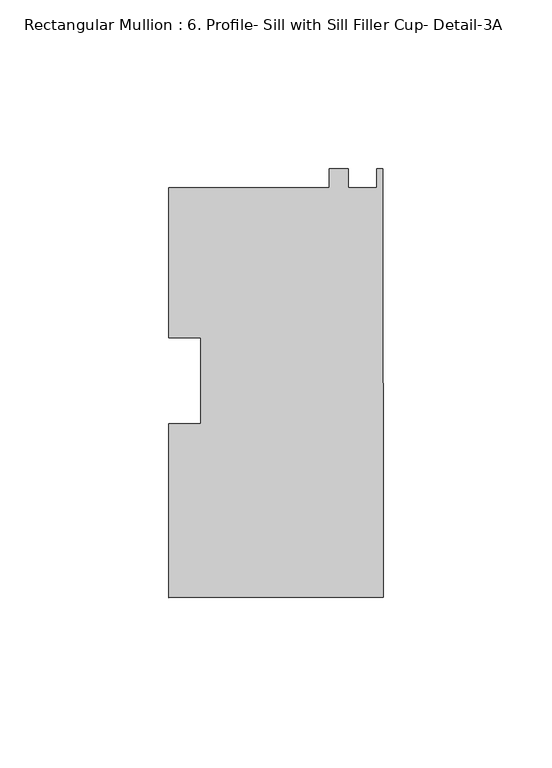
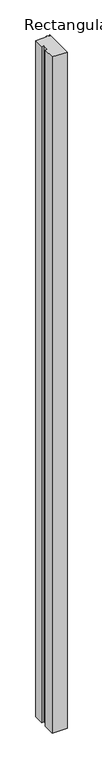
"""IFC4 building model written with IfcOpenShell, lengths in millimetres: member geometry, Rectangular Mullion : 6. Profile- Sill with Sill Filler Cup- Detail-3A."""

from ifc_helpers import new_model, si_unit, frame, origin, place, context, project, spatial, polyline, outline, extrude, source, transform, mapped, element, save


def rectangular_mullion_6_profile_sill_with_sill_filler_cup_57d86816(model_context):
    return source(origin(), model_context, "Body", "SweptSolid", [
        extrude(outline(polyline([(0.0, -64.3140205), (-63.4999958, -64.3371543), (-63.5187697, -12.804507), (-53.9937704, -12.8010369), (-54.0030559, 12.6866597), (-63.5280552, 12.6831897), (-63.5442393, 57.1069045), (-15.9192425, 57.1242549), (-15.9212959, 62.7608029), (-10.2968573, 62.7628519), (-10.2948031, 57.1243303), (-1.9365674, 57.1293263), (-1.8242676, 62.6855132), (-0.0462677, 62.6861609), (0.0, -64.3140205)])), frame((0.0, 0.0, -3048.0), z_axis=(0.0, 0.0, 1.0), x_axis=(1.0, 0.0, 0.0)), (0.0, 0.0, 1.0), 3048.0),
    ])


if __name__ == "__main__":
    model = new_model("IFC4")
    model_context = context("Model", 3, world=origin())
    ifc_project = project(units=[si_unit("LENGTHUNIT", "METRE", prefix="MILLI")], contexts=[model_context])
    site = spatial("IfcSite", under=ifc_project)
    building = spatial("IfcBuilding", under=site)
    placement = place(None, origin())
    rectangular_mullion_6_profile_sill_with_sill_filler_cup_shape = rectangular_mullion_6_profile_sill_with_sill_filler_cup_57d86816(model_context)
    element("IfcMember", 1, ObjectType="Rectangular Mullion : 6. Profile- Sill with Sill Filler Cup- Detail-3A", at=placement, inside=building, context=model_context, shape_type="MappedRepresentation", body=[
        mapped(rectangular_mullion_6_profile_sill_with_sill_filler_cup_shape, transform((0.0, 0.0, 0.0), x_axis=(1.0, 0.0, 0.0), y_axis=(0.0, 1.0, 0.0), z_axis=(0.0, 0.0, 1.0))),
    ])
    save(model, "model.ifc")
